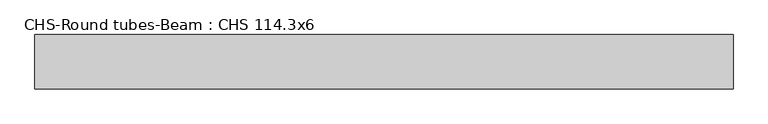
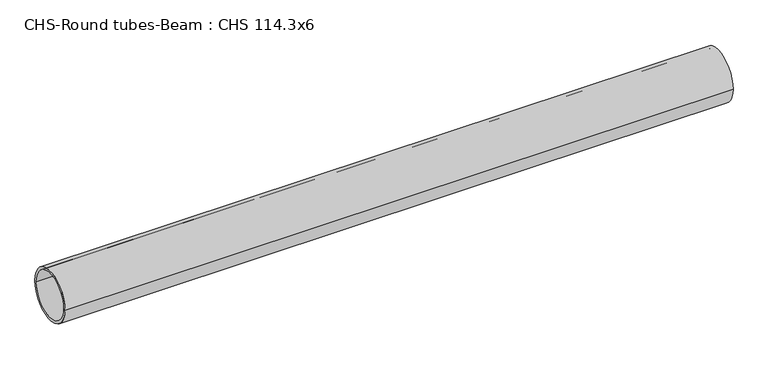
"""IFC4 building model written with IfcOpenShell, lengths in millimetres: beam geometry, CHS-Round tubes-Beam : CHS 114.3x6."""

from ifc_helpers import new_model, si_unit, point, frame, origin, origin_2d, place, context, project, spatial, circle_curve, trimmed, segment, composite_curve, outline, extrude, source, transform, mapped, element, save


def chs_round_tubes_beam_chs_114_3x6_8d1cd88d(model_context):
    return source(origin(), model_context, "Body", "SweptSolid", [
        extrude(outline(composite_curve([segment(trimmed(circle_curve(origin_2d(), 57.15), [point((57.15, 0.0))], [point((-57.15, 0.0))], False, "CARTESIAN"), True, "CONTINUOUS"), segment(trimmed(circle_curve(origin_2d(), 57.15), [point((-57.15, 0.0))], [point((57.15, 0.0))], False, "CARTESIAN"), True, "CONTINUOUS")], self_intersect=False), holes=[composite_curve([segment(trimmed(circle_curve(origin_2d(), 51.15), [point((51.15, 0.0))], [point((-51.15, 0.0))], True, "CARTESIAN"), True, "CONTINUOUS"), segment(trimmed(circle_curve(origin_2d(), 51.15), [point((-51.15, 0.0))], [point((51.15, 0.0))], True, "CARTESIAN"), True, "CONTINUOUS")], self_intersect=False)]), frame((-772.0702582, 0.0, 0.0), z_axis=(1.0, 0.0, 0.0), x_axis=(0.0, 1.0, 0.0)), (0.0, 0.0, 1.0), 1469.1244991),
    ])


if __name__ == "__main__":
    model = new_model("IFC4")
    model_context = context("Model", 3, world=origin())
    ifc_project = project(units=[si_unit("LENGTHUNIT", "METRE", prefix="MILLI")], contexts=[model_context])
    site = spatial("IfcSite", under=ifc_project)
    building = spatial("IfcBuilding", under=site)
    placement = place(None, origin())
    chs_round_tubes_beam_chs_114_3x6_shape = chs_round_tubes_beam_chs_114_3x6_8d1cd88d(model_context)
    element("IfcBeam", 1, ObjectType="CHS-Round tubes-Beam : CHS 114.3x6", at=placement, inside=building, context=model_context, shape_type="MappedRepresentation", body=[
        mapped(chs_round_tubes_beam_chs_114_3x6_shape, transform((0.0, 0.0, 0.0), x_axis=(1.0, 0.0, 0.0), y_axis=(0.0, 1.0, 0.0), z_axis=(0.0, 0.0, 1.0))),
    ])
    save(model, "model.ifc")
